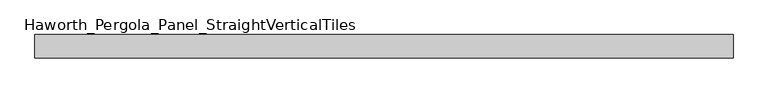
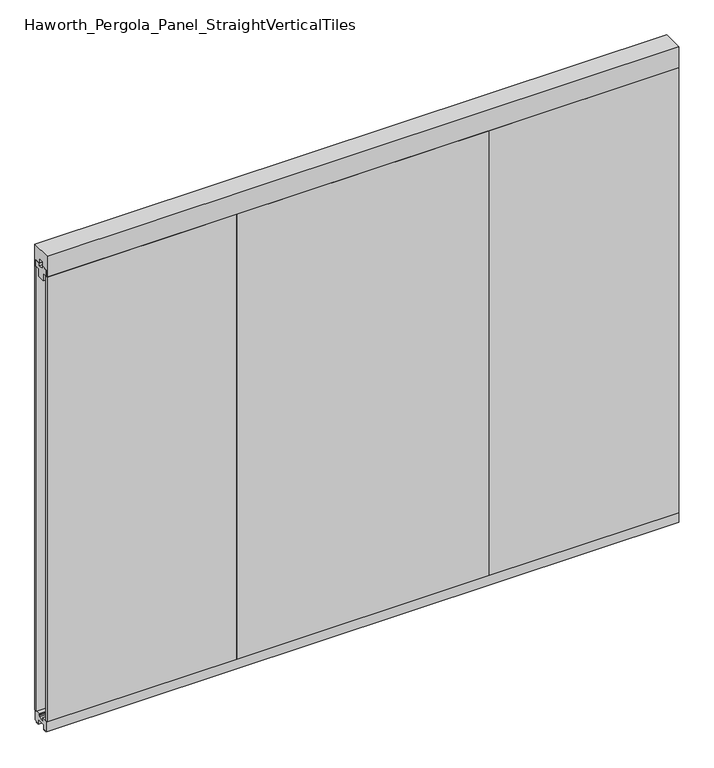
"""IFC4 building model written with IfcOpenShell, lengths in millimetres: furniture geometry, Haworth_Pergola_Panel_StraightVerticalTiles."""

from ifc_helpers import new_model, si_unit, frame, origin, place, context, project, spatial, polyline, outline, extrude, source, transform, mapped, element, save


def haworth_pergola_panel_straightverticaltiles_a7dafc63(model_context):
    return source(origin(), model_context, "Body", "SweptSolid", [
        extrude(outline(polyline([(12.7, 2363.5890625), (44.45, 2363.5890625), (44.45, 2331.8390625), (19.05, 2331.8390625), (19.05, 2293.7390625), (-19.05, 2293.7390625), (-19.05, 2331.8390625), (-44.45, 2331.8390625), (-44.45, 2363.5890625), (-12.7, 2363.5890625), (-12.7, 2350.8890625), (12.7, 2350.8890625), (12.7, 2363.5890625)])), frame((647.7, 0.0, 0.0), z_axis=(1.0, 0.0, 0.0), x_axis=(0.0, 1.0, 0.0)), (0.0, 0.0, 1.0), 914.4),
        extrude(outline(polyline([(647.7, 50.8), (1562.1, 50.8), (1562.1, 38.1), (647.7, 38.1), (647.7, 50.8)])), frame((0.0, 0.0, 63.5), z_axis=(0.0, 0.0, 1.0), x_axis=(1.0, 0.0, 0.0)), (0.0, 0.0, 1.0), 2268.3390625),
        extrude(outline(polyline([(647.7, -38.1), (1562.1, -38.1), (1562.1, -50.8), (647.7, -50.8), (647.7, -38.1)])), frame((0.0, 0.0, 63.5), z_axis=(0.0, 0.0, 1.0), x_axis=(1.0, 0.0, 0.0)), (0.0, 0.0, 1.0), 2268.3390625),
        extrude(outline(polyline([(12.7, 2363.5890625), (44.45, 2363.5890625), (44.45, 2331.8390625), (19.05, 2331.8390625), (19.05, 2293.7390625), (-19.05, 2293.7390625), (-19.05, 2331.8390625), (-44.45, 2331.8390625), (-44.45, 2363.5890625), (-12.7, 2363.5890625), (-12.7, 2350.8890625), (12.7, 2350.8890625), (12.7, 2363.5890625)])), frame((-571.5, 0.0, 0.0), z_axis=(1.0, 0.0, 0.0), x_axis=(0.0, 1.0, 0.0)), (0.0, 0.0, 1.0), 1219.2),
        extrude(outline(polyline([(-571.5, 50.8), (647.7, 50.8), (647.7, 38.1), (-571.5, 38.1), (-571.5, 50.8)])), frame((0.0, 0.0, 63.5), z_axis=(0.0, 0.0, 1.0), x_axis=(1.0, 0.0, 0.0)), (0.0, 0.0, 1.0), 2268.3390625),
        extrude(outline(polyline([(-571.5, -38.1), (647.7, -38.1), (647.7, -50.8), (-571.5, -50.8), (-571.5, -38.1)])), frame((0.0, 0.0, 63.5), z_axis=(0.0, 0.0, 1.0), x_axis=(1.0, 0.0, 0.0)), (0.0, 0.0, 1.0), 2268.3390625),
        extrude(outline(polyline([(12.7, 2363.5890625), (44.45, 2363.5890625), (44.45, 2331.8390625), (19.05, 2331.8390625), (19.05, 2293.7390625), (-19.05, 2293.7390625), (-19.05, 2331.8390625), (-44.45, 2331.8390625), (-44.45, 2363.5890625), (-12.7, 2363.5890625), (-12.7, 2350.8890625), (12.7, 2350.8890625), (12.7, 2363.5890625)])), frame((-1485.9, 0.0, 0.0), z_axis=(1.0, 0.0, 0.0), x_axis=(0.0, 1.0, 0.0)), (0.0, 0.0, 1.0), 914.4),
        extrude(outline(polyline([(-1485.9, 50.8), (-571.5, 50.8), (-571.5, 38.1), (-1485.9, 38.1), (-1485.9, 50.8)])), frame((0.0, 0.0, 63.5), z_axis=(0.0, 0.0, 1.0), x_axis=(1.0, 0.0, 0.0)), (0.0, 0.0, 1.0), 2268.3390625),
        extrude(outline(polyline([(-1485.9, -38.1), (-571.5, -38.1), (-571.5, -50.8), (-1485.9, -50.8), (-1485.9, -38.1)])), frame((0.0, 0.0, 63.5), z_axis=(0.0, 0.0, 1.0), x_axis=(1.0, 0.0, 0.0)), (0.0, 0.0, 1.0), 2268.3390625),
        extrude(outline(polyline([(-50.8, 2438.4), (50.8, 2438.4), (50.8, 2331.8390625), (15.2182948, 2331.8390625), (15.2182948, 2388.7001663), (-15.2182948, 2388.7001663), (-15.2182948, 2331.8390625), (-50.8, 2331.8390625), (-50.8, 2438.4)])), frame((-1485.9, 0.0, 0.0), z_axis=(1.0, 0.0, 0.0), x_axis=(0.0, 1.0, 0.0)), (0.0, 0.0, 1.0), 3048.0),
        extrude(outline(polyline([(-16.2000002, 63.5), (-16.5085717, 61.7499999), (-13.3999996, 61.7499999), (-13.3999996, 58.8973461), (-15.4000002, 59.2499999), (-15.4000002, 48.3500004), (15.4000003, 48.3500004), (15.4000003, 59.2499999), (13.3999997, 58.8973461), (13.3999997, 61.7499999), (16.5085718, 61.7499999), (16.2000003, 63.5), (50.0000004, 63.5), (50.0000004, 12.6999985), (40.9499987, 12.6999985), (38.9499981, 10.6999979), (28.9499999, 10.6999979), (28.9499999, 7.6999994), (38.9499981, 7.6999994), (38.9499981, 5.6999988), (23.7499993, 5.6999988), (23.7499993, 31.4500009), (-23.7499992, 31.4500009), (-23.7499992, 5.6999988), (-38.949998, 5.6999988), (-38.949998, 7.6999994), (-28.9499998, 7.6999994), (-28.9499998, 10.6999979), (-38.949998, 10.6999979), (-40.9499986, 12.6999985), (-50.0000003, 12.6999985), (-50.0000003, 63.5), (-16.2000002, 63.5)])), frame((-1485.9, 0.0, 0.0), z_axis=(1.0, 0.0, 0.0), x_axis=(0.0, 1.0, 0.0)), (0.0, 0.0, 1.0), 3048.0),
    ])


if __name__ == "__main__":
    model = new_model("IFC4")
    model_context = context("Model", 3, world=origin())
    ifc_project = project(units=[si_unit("LENGTHUNIT", "METRE", prefix="MILLI")], contexts=[model_context])
    site = spatial("IfcSite", under=ifc_project)
    building = spatial("IfcBuilding", under=site)
    placement = place(None, origin())
    haworth_pergola_panel_straightverticaltiles_shape = haworth_pergola_panel_straightverticaltiles_a7dafc63(model_context)
    element("IfcFurniture", 1, ObjectType="Haworth_Pergola_Panel_StraightVerticalTiles", at=placement, inside=building, context=model_context, shape_type="MappedRepresentation", body=[
        mapped(haworth_pergola_panel_straightverticaltiles_shape, transform((0.0, 0.0, 0.0), x_axis=(1.0, 0.0, 0.0), y_axis=(0.0, 1.0, 0.0), z_axis=(0.0, 0.0, 1.0))),
    ])
    save(model, "model.ifc")
